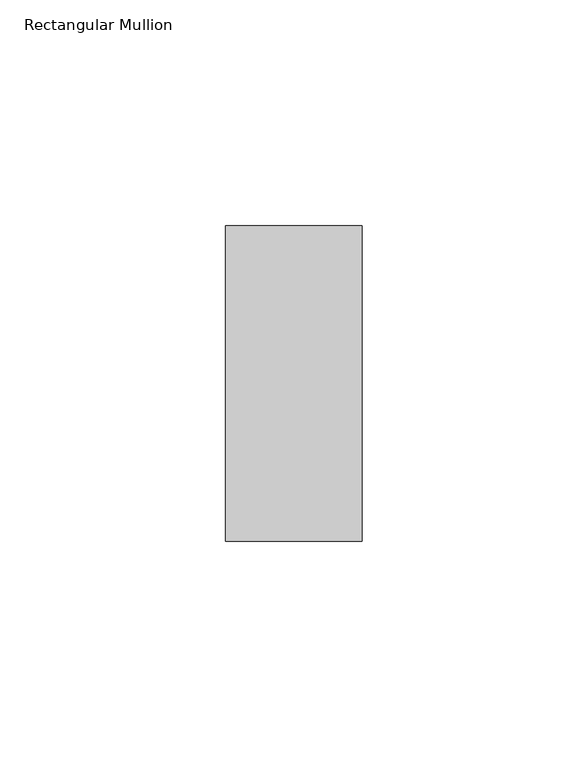
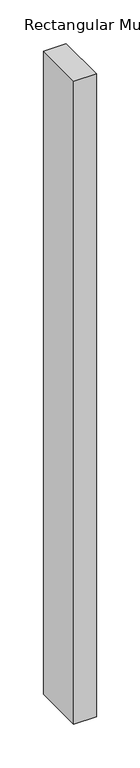
"""IFC4 building model written with IfcOpenShell, lengths in millimetres: member geometry, Rectangular Mullion."""

from ifc_helpers import new_model, si_unit, frame, origin, place, context, project, spatial, polyline, outline, extrude, source, transform, mapped, element, save


def rectangular_mullion_7de24162(model_context):
    return source(origin(), model_context, "Body", "SweptSolid", [
        extrude(outline(polyline([(0.0, 34.925), (0.0, -34.925), (-30.1625, -34.925), (-30.1625, 34.925), (0.0, 34.925)])), frame((0.0, 0.0, -902.335), z_axis=(0.0, 0.0, 1.0), x_axis=(1.0, 0.0, 0.0)), (0.0, 0.0, 1.0), 902.335),
    ])


if __name__ == "__main__":
    model = new_model("IFC4")
    model_context = context("Model", 3, world=origin())
    ifc_project = project(units=[si_unit("LENGTHUNIT", "METRE", prefix="MILLI")], contexts=[model_context])
    site = spatial("IfcSite", under=ifc_project)
    building = spatial("IfcBuilding", under=site)
    placement = place(None, origin())
    rectangular_mullion_shape = rectangular_mullion_7de24162(model_context)
    element("IfcMember", 1, ObjectType="Rectangular Mullion", at=placement, inside=building, context=model_context, shape_type="MappedRepresentation", body=[
        mapped(rectangular_mullion_shape, transform((0.0, 0.0, 0.0), x_axis=(1.0, 0.0, 0.0), y_axis=(0.0, 1.0, 0.0), z_axis=(0.0, 0.0, 1.0))),
    ])
    save(model, "model.ifc")
